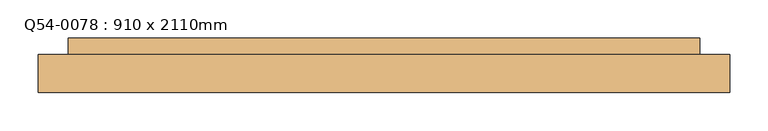
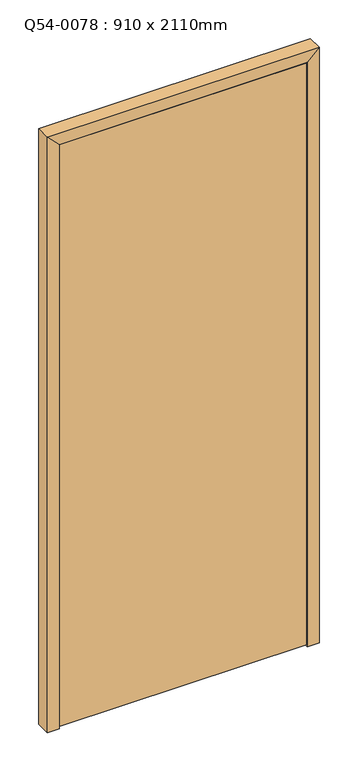
"""IFC4 building model written with IfcOpenShell, lengths in millimetres: door geometry, Q54-0078 : 910 x 2110mm."""

from ifc_helpers import new_model, si_unit, frame, origin, place, context, project, spatial, polyline, outline, extrude, faceted_brep, source, transform, mapped, element, save


def q54_0078_910_x_2110mm_9ba5e91a(model_context):
    return source(origin(), model_context, "Body", "SolidModel", [
        faceted_brep([(-415.0, 25.0, 0.0), (-415.0, -25.0, 0.0), (-455.0, -25.0, 0.0), (-455.0, 25.0, 0.0), (-455.0, 25.0, 2110.0), (-415.0, 25.0, 2070.0), (-455.0, -25.0, 2110.0), (-415.0, -25.0, 2070.0), (455.0, 25.0, 2110.0), (415.0, 25.0, 2070.0), (455.0, -25.0, 2110.0), (415.0, -25.0, 2070.0), (415.0, 25.0, 0.0), (455.0, 25.0, 0.0), (455.0, -25.0, 0.0), (415.0, -25.0, 0.0)], [[[0, 1, 2, 3]], [[3, 4, 5, 0]], [[2, 6, 4, 3]], [[1, 7, 6, 2]], [[0, 5, 7, 1]], [[4, 8, 9, 5]], [[6, 10, 8, 4]], [[7, 11, 10, 6]], [[5, 9, 11, 7]], [[12, 13, 14, 15]], [[8, 13, 12, 9]], [[10, 14, 13, 8]], [[11, 15, 14, 10]], [[9, 12, 15, 11]]]),
        extrude(outline(polyline([(413.0, 13.0), (413.0, -25.0), (-413.0, -25.0), (-413.0, 13.0), (413.0, 13.0)])), frame((0.0, 0.0, 8.0), z_axis=(0.0, 0.0, 1.0), x_axis=(1.0, 0.0, 0.0)), (0.0, 0.0, 1.0), 2060.0),
        extrude(outline(polyline([(0.0, -396.0), (2051.0, -396.0), (2051.0, 396.0), (0.0, 396.0), (0.0, 415.0), (2070.0, 415.0), (2070.0, -415.0), (0.0, -415.0), (0.0, -396.0)])), frame((0.0, 15.0, 0.0), z_axis=(0.0, 1.0, 0.0), x_axis=(0.0, 0.0, 1.0)), (0.0, 0.0, 1.0), 32.0),
    ])


if __name__ == "__main__":
    model = new_model("IFC4")
    model_context = context("Model", 3, world=origin())
    ifc_project = project(units=[si_unit("LENGTHUNIT", "METRE", prefix="MILLI")], contexts=[model_context])
    site = spatial("IfcSite", under=ifc_project)
    building = spatial("IfcBuilding", under=site)
    placement = place(None, origin())
    q54_0078_910_x_2110mm_shape = q54_0078_910_x_2110mm_9ba5e91a(model_context)
    element("IfcDoor", 1, ObjectType="Q54-0078 : 910 x 2110mm", at=placement, inside=building, context=model_context, shape_type="MappedRepresentation", body=[
        mapped(q54_0078_910_x_2110mm_shape, transform((0.0, 0.0, 0.0), x_axis=(1.0, 0.0, 0.0), y_axis=(0.0, 1.0, 0.0), z_axis=(0.0, 0.0, 1.0))),
    ])
    save(model, "model.ifc")
